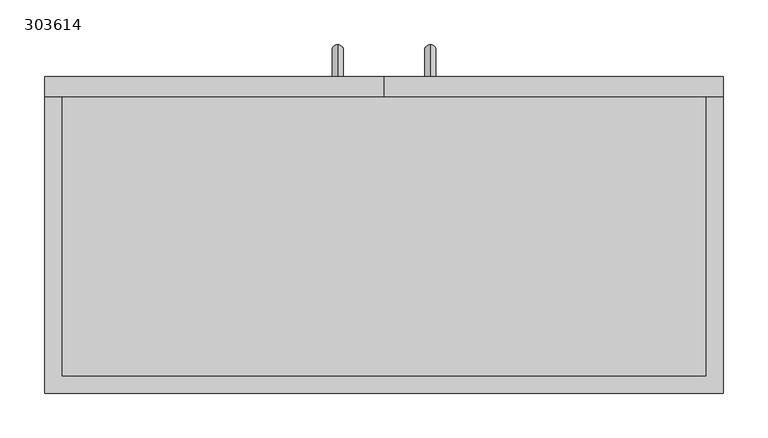
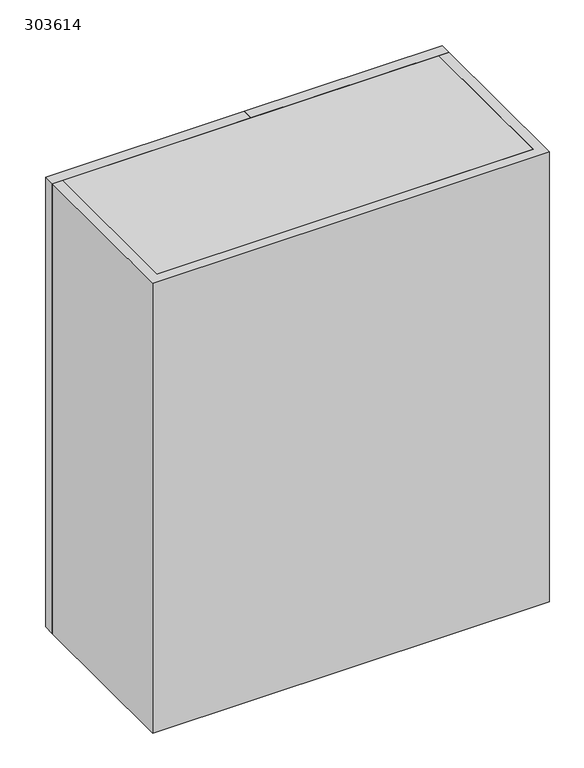
"""IFC4 building model written with IfcOpenShell, lengths in millimetres: furniture geometry, 303614."""

from ifc_helpers import new_model, si_unit, frame, origin, place, context, project, spatial, polyline, circle_curve, ellipse_curve, outline, extrude, source, transform, mapped, element, save
from ifc_brep_helpers import plane_surface, cylinder_surface, advanced_brep


def furniture_303614_37df8ce1(model_context):
    return source(origin(), model_context, "Body", "SolidModel", [
        extrude(outline(polyline([(381.0, 409.8), (0.0, 409.8), (0.0, 431.8), (381.0, 431.8), (381.0, 409.8)])), frame((0.0, 0.0, 1219.2), z_axis=(0.0, 0.0, 1.0), x_axis=(1.0, 0.0, 0.0)), (0.0, 0.0, 1.0), 914.4),
        extrude(outline(polyline([(0.0, 409.8), (-381.0, 409.8), (-381.0, 431.8), (0.0, 431.8), (0.0, 409.8)])), frame((0.0, 0.0, 1219.2), z_axis=(0.0, 0.0, 1.0), x_axis=(1.0, 0.0, 0.0)), (0.0, 0.0, 1.0), 914.4),
        extrude(outline(polyline([(361.8, 409.8), (381.0, 409.8), (381.0, 76.2), (-381.0, 76.2), (-381.0, 409.8), (-361.8, 409.8), (-361.8, 95.4), (361.8, 95.4), (361.8, 409.8)])), frame((0.0, 0.0, 1219.2), z_axis=(0.0, 0.0, 1.0), x_axis=(1.0, 0.0, 0.0)), (0.0, 0.0, 1.0), 914.4),
        extrude(outline(polyline([(361.8, 95.4), (-361.8, 95.4), (-361.8, 409.8), (361.8, 409.8), (361.8, 95.4)])), frame((0.0, 0.0, 1816.2666667), z_axis=(0.0, 0.0, 1.0), x_axis=(1.0, 0.0, 0.0)), (0.0, 0.0, 1.0), 19.2),
        extrude(outline(polyline([(361.8, 95.4), (-361.8, 95.4), (-361.8, 409.8), (361.8, 409.8), (361.8, 95.4)])), frame((0.0, 0.0, 1518.1333333), z_axis=(0.0, 0.0, 1.0), x_axis=(1.0, 0.0, 0.0)), (0.0, 0.0, 1.0), 19.2),
        advanced_brep(
        [(-52.0, 431.8, 1337.55), (-52.0, 431.8, 1324.85), (-52.0, 455.45, 1337.55), (-52.0, 468.15, 1324.85), (-52.0, 455.45, 1452.85), (-52.0, 468.15, 1465.55), (-52.0, 431.8, 1452.85), (-52.0, 431.8, 1465.55)],
        [
            (0, 1, circle_curve(frame((-52.0, 431.8, 1331.2), z_axis=(0.0, -1.0, 0.0), x_axis=(0.0, 0.0, -1.0)), 6.35)),
            (1, 0, circle_curve(frame((-52.0, 431.8, 1331.2), z_axis=(0.0, -1.0, 0.0), x_axis=(0.0, 0.0, -1.0)), 6.35)),
            (0, 2),
            (2, 3, ellipse_curve(frame((-52.0, 461.8, 1331.2), z_axis=(0.0, -0.7071067811865475, -0.7071067811865475), x_axis=(0.0, -0.7071067811865476, 0.7071067811865474)), 8.9802561, 6.35)),
            (3, 1),
            (3, 2, ellipse_curve(frame((-52.0, 461.8, 1331.2), z_axis=(0.0, -0.7071067811865475, -0.7071067811865475), x_axis=(0.0, -0.7071067811865476, 0.7071067811865474)), 8.9802561, 6.35)),
            (2, 4),
            (4, 5, ellipse_curve(frame((-52.0, 461.8, 1459.2), z_axis=(0.0, 0.7071067811865475, -0.7071067811865475), x_axis=(0.0, -0.7071067811865474, -0.7071067811865476)), 8.9802561, 6.35)),
            (5, 3),
            (5, 4, ellipse_curve(frame((-52.0, 461.8, 1459.2), z_axis=(0.0, 0.7071067811865475, -0.7071067811865475), x_axis=(0.0, -0.7071067811865474, -0.7071067811865476)), 8.9802561, 6.35)),
            (6, 7, circle_curve(frame((-52.0, 431.8, 1459.2), z_axis=(0.0, -1.0, 0.0), x_axis=(0.0, 0.0, 1.0)), 6.35)),
            (7, 6, circle_curve(frame((-52.0, 431.8, 1459.2), z_axis=(0.0, -1.0, 0.0), x_axis=(0.0, 0.0, 1.0)), 6.35)),
            (4, 6),
            (7, 5),
        ],
        [
            plane_surface(frame((-52.0, 431.8, 1331.2), z_axis=(0.0, -1.0, 0.0), x_axis=(-1.0, 0.0, 0.0))),
            cylinder_surface(frame((-52.0, 431.8, 1331.2), z_axis=(0.0, -1.0, 0.0), x_axis=(0.0, 0.0, -1.0)), 6.35),
            cylinder_surface(frame((-52.0, 461.8, 1331.2), z_axis=(0.0, 0.0, -1.0), x_axis=(0.0, 1.0, 0.0)), 6.35),
            plane_surface(frame((-52.0, 431.8, 1459.2), z_axis=(0.0, -1.0, 0.0), x_axis=(-1.0, 0.0, 0.0))),
            cylinder_surface(frame((-52.0, 461.8, 1459.2), z_axis=(0.0, 1.0, 0.0), x_axis=(0.0, 0.0, 1.0)), 6.35),
        ],
        [
            (0, [[1, 2]]),
            (1, [[-1, 3, 4, 5]]),
            (1, [[-2, -5, 6, -3]]),
            (2, [[-4, 7, 8, 9]]),
            (2, [[-6, -9, 10, -7]]),
            (3, [[11, 12]]),
            (4, [[-8, 13, -12, 14]]),
            (4, [[-10, -14, -11, -13]]),
        ],
    ),
        advanced_brep(
        [(52.0, 431.8, 1337.55), (52.0, 431.8, 1324.85), (52.0, 455.45, 1337.55), (52.0, 468.15, 1324.85), (52.0, 455.45, 1452.85), (52.0, 468.15, 1465.55), (52.0, 431.8, 1452.85), (52.0, 431.8, 1465.55)],
        [
            (0, 1, circle_curve(frame((52.0, 431.8, 1331.2), z_axis=(0.0, -1.0, 0.0), x_axis=(0.0, 0.0, -1.0)), 6.35)),
            (1, 0, circle_curve(frame((52.0, 431.8, 1331.2), z_axis=(0.0, -1.0, 0.0), x_axis=(0.0, 0.0, -1.0)), 6.35)),
            (0, 2),
            (2, 3, ellipse_curve(frame((52.0, 461.8, 1331.2), z_axis=(0.0, -0.7071067811865475, -0.7071067811865475), x_axis=(0.0, -0.7071067811865476, 0.7071067811865474)), 8.9802561, 6.35)),
            (3, 1),
            (3, 2, ellipse_curve(frame((52.0, 461.8, 1331.2), z_axis=(0.0, -0.7071067811865475, -0.7071067811865475), x_axis=(0.0, -0.7071067811865476, 0.7071067811865474)), 8.9802561, 6.35)),
            (2, 4),
            (4, 5, ellipse_curve(frame((52.0, 461.8, 1459.2), z_axis=(0.0, 0.7071067811865475, -0.7071067811865475), x_axis=(0.0, -0.7071067811865474, -0.7071067811865476)), 8.9802561, 6.35)),
            (5, 3),
            (5, 4, ellipse_curve(frame((52.0, 461.8, 1459.2), z_axis=(0.0, 0.7071067811865475, -0.7071067811865475), x_axis=(0.0, -0.7071067811865474, -0.7071067811865476)), 8.9802561, 6.35)),
            (6, 7, circle_curve(frame((52.0, 431.8, 1459.2), z_axis=(0.0, -1.0, 0.0), x_axis=(0.0, 0.0, 1.0)), 6.35)),
            (7, 6, circle_curve(frame((52.0, 431.8, 1459.2), z_axis=(0.0, -1.0, 0.0), x_axis=(0.0, 0.0, 1.0)), 6.35)),
            (4, 6),
            (7, 5),
        ],
        [
            plane_surface(frame((52.0, 431.8, 1331.2), z_axis=(0.0, -1.0, 0.0), x_axis=(-1.0, 0.0, 0.0))),
            cylinder_surface(frame((52.0, 431.8, 1331.2), z_axis=(0.0, -1.0, 0.0), x_axis=(0.0, 0.0, -1.0)), 6.35),
            cylinder_surface(frame((52.0, 461.8, 1331.2), z_axis=(0.0, 0.0, -1.0), x_axis=(0.0, 1.0, 0.0)), 6.35),
            plane_surface(frame((52.0, 431.8, 1459.2), z_axis=(0.0, -1.0, 0.0), x_axis=(-1.0, 0.0, 0.0))),
            cylinder_surface(frame((52.0, 461.8, 1459.2), z_axis=(0.0, 1.0, 0.0), x_axis=(0.0, 0.0, 1.0)), 6.35),
        ],
        [
            (0, [[1, 2]]),
            (1, [[-1, 3, 4, 5]]),
            (1, [[-2, -5, 6, -3]]),
            (2, [[-4, 7, 8, 9]]),
            (2, [[-6, -9, 10, -7]]),
            (3, [[11, 12]]),
            (4, [[-8, 13, -12, 14]]),
            (4, [[-10, -14, -11, -13]]),
        ],
    ),
        extrude(outline(polyline([(361.8, 409.8), (361.8, 95.4), (-361.8, 95.4), (-361.8, 409.8), (361.8, 409.8)])), frame((0.0, 0.0, 2111.6), z_axis=(0.0, 0.0, 1.0), x_axis=(1.0, 0.0, 0.0)), (0.0, 0.0, 1.0), 22.0),
        extrude(outline(polyline([(361.8, 409.8), (361.8, 95.4), (-361.8, 95.4), (-361.8, 409.8), (361.8, 409.8)])), frame((0.0, 0.0, 1219.2), z_axis=(0.0, 0.0, 1.0), x_axis=(1.0, 0.0, 0.0)), (0.0, 0.0, 1.0), 20.0),
    ])


if __name__ == "__main__":
    model = new_model("IFC4")
    model_context = context("Model", 3, world=origin())
    ifc_project = project(units=[si_unit("LENGTHUNIT", "METRE", prefix="MILLI")], contexts=[model_context])
    site = spatial("IfcSite", under=ifc_project)
    building = spatial("IfcBuilding", under=site)
    placement = place(None, origin())
    furniture_303614_shape = furniture_303614_37df8ce1(model_context)
    element("IfcFurniture", 1, ObjectType="303614", at=placement, inside=building, context=model_context, shape_type="MappedRepresentation", body=[
        mapped(furniture_303614_shape, transform((0.0, 0.0, 0.0), x_axis=(1.0, 0.0, 0.0), y_axis=(0.0, 1.0, 0.0), z_axis=(0.0, 0.0, 1.0))),
    ])
    save(model, "model.ifc")
